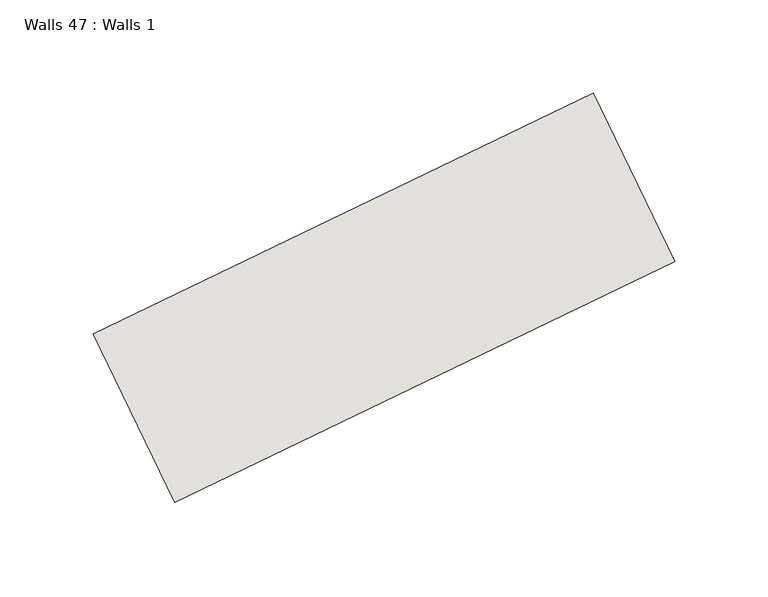
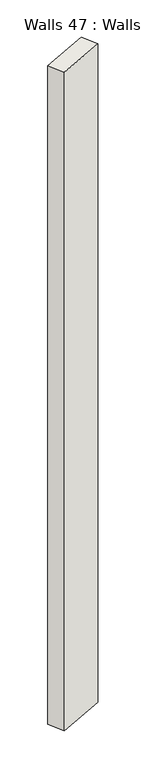
"""IFC4 building model written with IfcOpenShell, lengths in millimetres: wall geometry, Walls 47 : Walls 1."""

from ifc_helpers import new_model, si_unit, origin, origin_with_axes, place, context, project, spatial, polyline, outline, extrude, source, transform, mapped, element, save


def walls_47_walls_1_4b2f13c3(model_context):
    return source(origin(), model_context, "Body", "SweptSolid", [
        extrude(outline(polyline([(11733.0877296, -2744.0784065), (12000.4733607, -2615.4204704), (12043.8321334, -2705.5316064), (11776.4465022, -2834.1895426), (11733.0877296, -2744.0784065)])), origin_with_axes(), (0.0, 0.0, 1.0), 4003.3537627),
    ])


if __name__ == "__main__":
    model = new_model("IFC4")
    model_context = context("Model", 3, world=origin())
    ifc_project = project(units=[si_unit("LENGTHUNIT", "METRE", prefix="MILLI")], contexts=[model_context])
    site = spatial("IfcSite", under=ifc_project)
    building = spatial("IfcBuilding", under=site)
    placement = place(None, origin())
    walls_47_walls_1_shape = walls_47_walls_1_4b2f13c3(model_context)
    element("IfcWall", 1, ObjectType="Walls 47 : Walls 1", at=placement, inside=building, context=model_context, shape_type="MappedRepresentation", body=[
        mapped(walls_47_walls_1_shape, transform((0.0, 0.0, 0.0), x_axis=(1.0, 0.0, 0.0), y_axis=(0.0, 1.0, 0.0), z_axis=(0.0, 0.0, 1.0))),
    ])
    save(model, "model.ifc")
